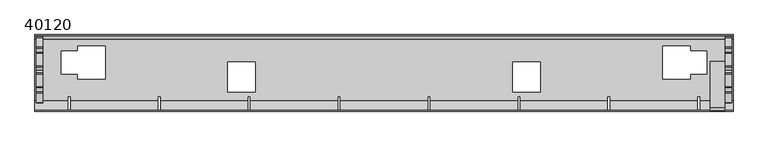
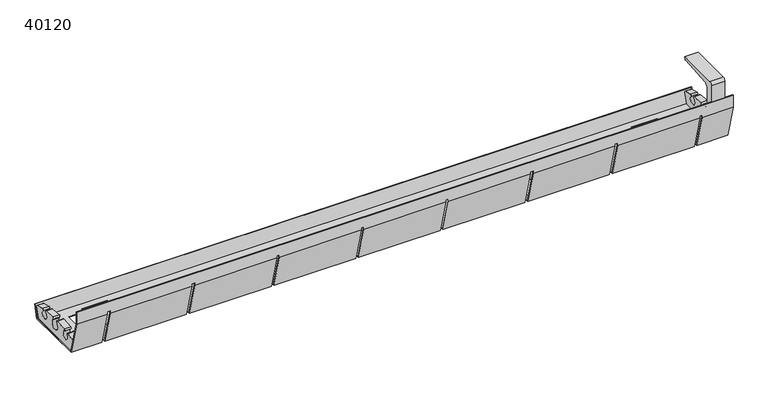
"""IFC4 building model written with IfcOpenShell, lengths in millimetres: furniture geometry, 40120."""

from ifc_helpers import new_model, si_unit, point, frame, frame_2d, origin, place, context, project, spatial, polyline, circle_curve, trimmed, segment, composite_curve, outline, extrude, faceted_brep, source, transform, mapped, element, save


def furniture_40120_08aa31df(model_context):
    return source(origin(), model_context, "Body", "SolidModel", [
        extrude(outline(composite_curve([segment(polyline([(6.0, 127.6), (87.0, 127.6), (85.8219858, 123.3928064)]), True, "CONTINUOUS"), segment(trimmed(circle_curve(frame_2d((83.8960577, 123.9320662)), 2.0), [point((85.8219858, 123.3928064))], [point((84.0703692, 121.9396768))], False, "CARTESIAN"), True, "CONTINUOUS"), segment(polyline([(84.0703692, 121.9396768), (21.3027541, 116.4482221)]), True, "CONTINUOUS"), segment(trimmed(circle_curve(frame_2d((22.0, 108.4786645)), 8.0), [point((21.3027541, 116.4482221))], [point((14.0, 108.4786645))], True, "CARTESIAN"), True, "CONTINUOUS"), segment(polyline([(14.0, 108.4786645), (14.0, 84.4680422)]), True, "CONTINUOUS"), segment(trimmed(circle_curve(frame_2d((22.0, 84.4680422)), 8.0), [point((14.0, 84.4680422))], [point((14.2725934, 82.3974898))], True, "CARTESIAN"), True, "CONTINUOUS"), segment(polyline([(14.2725934, 82.3974898), (31.3787067, 18.5566058)]), True, "CONTINUOUS"), segment(trimmed(circle_curve(frame_2d((39.1061133, 20.6271582)), 8.0), [point((31.3787067, 18.5566058))], [point((37.9204592, 12.715507))], True, "CARTESIAN"), True, "CONTINUOUS"), segment(polyline([(37.9204592, 12.715507), (84.1345897, 5.7897752)]), True, "CONTINUOUS"), segment(trimmed(circle_curve(frame_2d((83.8381762, 3.8118624)), 2.0), [point((84.1345897, 5.7897752))], [point((85.7700278, 4.3295005))], False, "CARTESIAN"), True, "CONTINUOUS"), segment(polyline([(85.7700278, 4.3295005), (86.6085749, 1.2), (22.5765824, 1.2), (1.2725934, 80.7075696)]), True, "CONTINUOUS"), segment(trimmed(circle_curve(frame_2d((9.0, 82.7781219)), 8.0), [point((1.2725934, 80.7075696))], [point((1.0, 82.7781219))], False, "CARTESIAN"), True, "CONTINUOUS"), segment(polyline([(1.0, 82.7781219), (1.0, 122.6)]), True, "CONTINUOUS"), segment(trimmed(circle_curve(frame_2d((6.0, 122.6)), 5.0), [point((1.0, 122.6))], [point((6.0, 127.6))], False, "CARTESIAN"), True, "CONTINUOUS")], self_intersect=False)), frame((1185.0, 0.0, 0.0), z_axis=(1.0, 0.0, 0.0), x_axis=(0.0, 1.0, 0.0)), (0.0, 0.0, 1.0), 25.0),
        extrude(outline(composite_curve([segment(polyline([(19.7421934, 1.2), (14.2708238, 21.6194295)]), True, "CONTINUOUS"), segment(trimmed(circle_curve(frame_2d((16.2026754, 22.1370675)), 2.0), [point((14.2708238, 21.6194295))], [point((15.7218792, 24.0784163))], False, "CARTESIAN"), True, "CONTINUOUS"), segment(trimmed(circle_curve(frame_2d((72.7329114, -171.9023975)), 204.1047211), [point((15.7218792, 24.0784163))], [point((31.7264611, 28.0406149))], False, "CARTESIAN"), True, "CONTINUOUS"), segment(trimmed(circle_curve(frame_2d((32.1106564, 26.0778633)), 2.0), [point((31.7264611, 28.0406149))], [point((33.7699459, 24.9612799))], False, "CARTESIAN"), True, "CONTINUOUS"), segment(trimmed(circle_curve(frame_2d((39.2741288, 19.8667759)), 7.5), [point((33.7699459, 24.9612799))], [point((42.6489677, 26.5645712))], True, "CARTESIAN"), True, "CONTINUOUS"), segment(trimmed(circle_curve(frame_2d((43.8838713, 28.1377887)), 2.0), [point((42.6489677, 26.5645712))], [point((43.4584069, 30.0920097))], False, "CARTESIAN"), True, "CONTINUOUS"), segment(trimmed(circle_curve(frame_2d((72.7329114, -171.9023975)), 204.1047211), [point((43.4584069, 30.0920097))], [point((65.5069893, 32.0743738))], False, "CARTESIAN"), True, "CONTINUOUS"), segment(trimmed(circle_curve(frame_2d((65.5283849, 30.0744882)), 2.0), [point((65.5069893, 32.0743738))], [point((66.9521196, 28.6698603))], False, "CARTESIAN"), True, "CONTINUOUS"), segment(trimmed(circle_curve(frame_2d((74.2422272, 21.4775868)), 10.2408236), [point((66.9521196, 28.6698603))], [point((64.9357171, 25.7511494))], True, "CARTESIAN"), True, "CONTINUOUS"), segment(trimmed(circle_curve(frame_2d((72.7518575, 20.3513393)), 9.5), [point((64.9357171, 25.7511494))], [point((72.7518575, 10.8513393))], True, "CARTESIAN"), True, "CONTINUOUS"), segment(trimmed(circle_curve(frame_2d((72.7518575, 20.3513393)), 9.5), [point((72.7518575, 10.8513393))], [point((80.5679978, 25.7511494))], True, "CARTESIAN"), True, "CONTINUOUS"), segment(trimmed(circle_curve(frame_2d((71.2614878, 21.4775868)), 10.2408236), [point((80.5679978, 25.7511494))], [point((78.5515954, 28.6698603))], True, "CARTESIAN"), True, "CONTINUOUS"), segment(trimmed(circle_curve(frame_2d((79.97533, 30.0744882)), 2.0), [point((78.5515954, 28.6698603))], [point((79.9967256, 32.0743738))], False, "CARTESIAN"), True, "CONTINUOUS"), segment(trimmed(circle_curve(frame_2d((72.7708035, -171.9023975)), 204.1047211), [point((79.9967256, 32.0743738))], [point((102.045308, 30.0920097))], False, "CARTESIAN"), True, "CONTINUOUS"), segment(trimmed(circle_curve(frame_2d((101.6198437, 28.1377887)), 2.0), [point((102.045308, 30.0920097))], [point((102.8547472, 26.5645712))], False, "CARTESIAN"), True, "CONTINUOUS"), segment(trimmed(circle_curve(frame_2d((106.2295862, 19.8667759)), 7.5), [point((102.8547472, 26.5645712))], [point((111.7337691, 24.9612799))], True, "CARTESIAN"), True, "CONTINUOUS"), segment(trimmed(circle_curve(frame_2d((113.3930585, 26.0778633)), 2.0), [point((111.7337691, 24.9612799))], [point((113.7772538, 28.0406149))], False, "CARTESIAN"), True, "CONTINUOUS"), segment(trimmed(circle_curve(frame_2d((72.7708035, -171.9023975)), 204.1047211), [point((113.7772538, 28.0406149))], [point((129.7818357, 24.0784163))], False, "CARTESIAN"), True, "CONTINUOUS"), segment(trimmed(circle_curve(frame_2d((129.3010395, 22.1370675)), 2.0), [point((129.7818357, 24.0784163))], [point((131.2328912, 21.6194295))], False, "CARTESIAN"), True, "CONTINUOUS"), segment(polyline([(131.2328912, 21.6194295), (125.7615216, 1.2), (72.7518575, 1.2), (19.7421934, 1.2)]), True, "CONTINUOUS")], self_intersect=False)), frame((1211.0, 0.0, 0.0), z_axis=(1.0, 0.0, 0.0), x_axis=(0.0, 1.0, 0.0)), (0.0, 0.0, 1.0), 12.0),
        extrude(outline(composite_curve([segment(polyline([(19.7421934, 1.2), (14.2708238, 21.6194295)]), True, "CONTINUOUS"), segment(trimmed(circle_curve(frame_2d((16.2026754, 22.1370675)), 2.0), [point((14.2708238, 21.6194295))], [point((15.7218792, 24.0784163))], False, "CARTESIAN"), True, "CONTINUOUS"), segment(trimmed(circle_curve(frame_2d((72.7329114, -171.9023975)), 204.1047211), [point((15.7218792, 24.0784163))], [point((31.7264611, 28.0406149))], False, "CARTESIAN"), True, "CONTINUOUS"), segment(trimmed(circle_curve(frame_2d((32.1106564, 26.0778633)), 2.0), [point((31.7264611, 28.0406149))], [point((33.7699459, 24.9612799))], False, "CARTESIAN"), True, "CONTINUOUS"), segment(trimmed(circle_curve(frame_2d((39.2741288, 19.8667759)), 7.5), [point((33.7699459, 24.9612799))], [point((42.6489677, 26.5645712))], True, "CARTESIAN"), True, "CONTINUOUS"), segment(trimmed(circle_curve(frame_2d((43.8838713, 28.1377887)), 2.0), [point((42.6489677, 26.5645712))], [point((43.4584069, 30.0920097))], False, "CARTESIAN"), True, "CONTINUOUS"), segment(trimmed(circle_curve(frame_2d((72.7329114, -171.9023975)), 204.1047211), [point((43.4584069, 30.0920097))], [point((65.5069893, 32.0743738))], False, "CARTESIAN"), True, "CONTINUOUS"), segment(trimmed(circle_curve(frame_2d((65.5283849, 30.0744882)), 2.0), [point((65.5069893, 32.0743738))], [point((66.9521196, 28.6698603))], False, "CARTESIAN"), True, "CONTINUOUS"), segment(trimmed(circle_curve(frame_2d((74.2422272, 21.4775868)), 10.2408236), [point((66.9521196, 28.6698603))], [point((64.9357171, 25.7511494))], True, "CARTESIAN"), True, "CONTINUOUS"), segment(trimmed(circle_curve(frame_2d((72.7518575, 20.3513393)), 9.5), [point((64.9357171, 25.7511494))], [point((72.7518575, 10.8513393))], True, "CARTESIAN"), True, "CONTINUOUS"), segment(trimmed(circle_curve(frame_2d((72.7518575, 20.3513393)), 9.5), [point((72.7518575, 10.8513393))], [point((80.5679978, 25.7511494))], True, "CARTESIAN"), True, "CONTINUOUS"), segment(trimmed(circle_curve(frame_2d((71.2614878, 21.4775868)), 10.2408236), [point((80.5679978, 25.7511494))], [point((78.5515954, 28.6698603))], True, "CARTESIAN"), True, "CONTINUOUS"), segment(trimmed(circle_curve(frame_2d((79.97533, 30.0744882)), 2.0), [point((78.5515954, 28.6698603))], [point((79.9967256, 32.0743738))], False, "CARTESIAN"), True, "CONTINUOUS"), segment(trimmed(circle_curve(frame_2d((72.7708035, -171.9023975)), 204.1047211), [point((79.9967256, 32.0743738))], [point((102.045308, 30.0920097))], False, "CARTESIAN"), True, "CONTINUOUS"), segment(trimmed(circle_curve(frame_2d((101.6198437, 28.1377887)), 2.0), [point((102.045308, 30.0920097))], [point((102.8547472, 26.5645712))], False, "CARTESIAN"), True, "CONTINUOUS"), segment(trimmed(circle_curve(frame_2d((106.2295862, 19.8667759)), 7.5), [point((102.8547472, 26.5645712))], [point((111.7337691, 24.9612799))], True, "CARTESIAN"), True, "CONTINUOUS"), segment(trimmed(circle_curve(frame_2d((113.3930585, 26.0778633)), 2.0), [point((111.7337691, 24.9612799))], [point((113.7772538, 28.0406149))], False, "CARTESIAN"), True, "CONTINUOUS"), segment(trimmed(circle_curve(frame_2d((72.7708035, -171.9023975)), 204.1047211), [point((113.7772538, 28.0406149))], [point((129.7818357, 24.0784163))], False, "CARTESIAN"), True, "CONTINUOUS"), segment(trimmed(circle_curve(frame_2d((129.3010395, 22.1370675)), 2.0), [point((129.7818357, 24.0784163))], [point((131.2328912, 21.6194295))], False, "CARTESIAN"), True, "CONTINUOUS"), segment(polyline([(131.2328912, 21.6194295), (125.7615216, 1.2), (72.7518575, 1.2), (19.7421934, 1.2)]), True, "CONTINUOUS")], self_intersect=False)), frame((2.0, 0.0, 0.0), z_axis=(1.0, 0.0, 0.0), x_axis=(0.0, 1.0, 0.0)), (0.0, 0.0, 1.0), 12.0),
        faceted_brep([(1225.0, 0.0, 66.3491624), (1225.0, 17.7782045, 0.0), (1225.0, 127.732561, 0.0), (1225.0, 134.4618575, 25.1140765), (1225.0, 133.3027465, 25.4246594), (1225.0, 126.8117686, 1.2), (1225.0, 18.6989969, 1.2), (1225.0, 1.2, 66.5071454), (1225.0, 1.2, 90.0), (1225.0, 0.0, 90.0), (0.0, 0.0, 66.3491624), (0.0, 0.0, 90.0), (0.0, 1.2, 90.0), (0.0, 1.2, 66.5071454), (0.0, 18.6989969, 1.2), (0.0, 126.8117686, 1.2), (0.0, 133.3027465, 25.4246594), (0.0, 134.4618575, 25.1140765), (0.0, 127.732561, 0.0), (0.0, 17.7782045, 0.0), (1167.5, 0.0, 66.3491624), (1167.5, 17.7782045, 0.0), (57.5, 17.7782045, 0.0), (57.5, 0.0, 66.3491624), (62.5, 0.0, 66.3491624), (62.5, 17.7782045, 0.0), (215.3571429, 17.7782045, 0.0), (215.3571429, 0.0, 66.3491624), (1162.5, 17.7782045, 0.0), (1162.5, 0.0, 66.3491624), (1009.6428571, 0.0, 66.3491624), (1009.6428571, 17.7782045, 0.0), (220.3571429, 0.0, 66.3491624), (220.3571429, 17.7782045, 0.0), (373.2142857, 17.7782045, 0.0), (373.2142857, 0.0, 66.3491624), (378.2142857, 0.0, 66.3491624), (378.2142857, 17.7782045, 0.0), (531.0714286, 17.7782045, 0.0), (531.0714286, 0.0, 66.3491624), (536.0714286, 0.0, 66.3491624), (536.0714286, 17.7782045, 0.0), (688.9285714, 17.7782045, 0.0), (688.9285714, 0.0, 66.3491624), (693.9285714, 0.0, 66.3491624), (693.9285714, 17.7782045, 0.0), (846.7857143, 17.7782045, 0.0), (846.7857143, 0.0, 66.3491624), (851.7857143, 0.0, 66.3491624), (851.7857143, 17.7782045, 0.0), (1004.6428571, 17.7782045, 0.0), (1004.6428571, 0.0, 66.3491624), (1167.5, 26.0, 0.0), (1162.5, 26.0, 0.0), (1009.6428571, 26.0, 0.0), (1004.6428571, 26.0, 0.0), (851.7857143, 26.0, 0.0), (846.7857143, 26.0, 0.0), (693.9285714, 26.0, 0.0), (688.9285714, 26.0, 0.0), (536.0714286, 26.0, 0.0), (531.0714286, 26.0, 0.0), (378.2142857, 26.0, 0.0), (373.2142857, 26.0, 0.0), (220.3571429, 26.0, 0.0), (215.3571429, 26.0, 0.0), (62.5, 26.0, 0.0), (57.5, 26.0, 0.0), (75.5, 105.4618575, 0.0), (46.0, 105.4618575, 0.0), (46.0, 65.4618575, 0.0), (75.5, 65.4618575, 0.0), (75.5, 56.4618575, 0.0), (123.5, 56.4618575, 0.0), (123.5, 114.4618575, 0.0), (75.5, 114.4618575, 0.0), (1101.5, 114.4618575, 0.0), (1101.5, 56.4618575, 0.0), (1149.5, 56.4618575, 0.0), (1149.5, 65.4618575, 0.0), (1179.0, 65.4618575, 0.0), (1179.0, 105.4618575, 0.0), (1149.5, 105.4618575, 0.0), (1149.5, 114.4618575, 0.0), (386.5, 86.4618575, 0.0), (338.5, 86.4618575, 0.0), (338.5, 33.4618575, 0.0), (386.5, 33.4618575, 0.0), (886.5, 86.4618575, 0.0), (838.5, 86.4618575, 0.0), (838.5, 33.4618575, 0.0), (886.5, 33.4618575, 0.0), (57.5, 18.6989969, 1.2), (57.5, 26.0, 1.2), (62.5, 26.0, 1.2), (62.5, 18.6989969, 1.2), (215.3571429, 18.6989969, 1.2), (215.3571429, 26.0, 1.2), (220.3571429, 26.0, 1.2), (220.3571429, 18.6989969, 1.2), (373.2142857, 18.6989969, 1.2), (373.2142857, 26.0, 1.2), (378.2142857, 26.0, 1.2), (378.2142857, 18.6989969, 1.2), (531.0714286, 18.6989969, 1.2), (531.0714286, 26.0, 1.2), (536.0714286, 26.0, 1.2), (536.0714286, 18.6989969, 1.2), (688.9285714, 18.6989969, 1.2), (688.9285714, 26.0, 1.2), (693.9285714, 26.0, 1.2), (693.9285714, 18.6989969, 1.2), (846.7857143, 18.6989969, 1.2), (846.7857143, 26.0, 1.2), (851.7857143, 26.0, 1.2), (851.7857143, 18.6989969, 1.2), (1004.6428571, 18.6989969, 1.2), (1004.6428571, 26.0, 1.2), (1009.6428571, 26.0, 1.2), (1009.6428571, 18.6989969, 1.2), (1162.5, 18.6989969, 1.2), (1162.5, 26.0, 1.2), (1167.5, 26.0, 1.2), (1167.5, 18.6989969, 1.2), (46.0, 105.4618575, 1.2), (75.5, 105.4618575, 1.2), (75.5, 114.4618575, 1.2), (123.5, 114.4618575, 1.2), (123.5, 56.4618575, 1.2), (75.5, 56.4618575, 1.2), (75.5, 65.4618575, 1.2), (46.0, 65.4618575, 1.2), (1101.5, 56.4618575, 1.2), (1101.5, 114.4618575, 1.2), (1149.5, 114.4618575, 1.2), (1149.5, 105.4618575, 1.2), (1179.0, 105.4618575, 1.2), (1179.0, 65.4618575, 1.2), (1149.5, 65.4618575, 1.2), (1149.5, 56.4618575, 1.2), (338.5, 86.4618575, 1.2), (386.5, 86.4618575, 1.2), (386.5, 33.4618575, 1.2), (338.5, 33.4618575, 1.2), (838.5, 86.4618575, 1.2), (886.5, 86.4618575, 1.2), (886.5, 33.4618575, 1.2), (838.5, 33.4618575, 1.2), (1167.5, 1.2, 66.5071454), (57.5, 1.2, 66.5071454), (62.5, 1.2, 66.5071454), (215.3571429, 1.2, 66.5071454), (1162.5, 1.2, 66.5071454), (1009.6428571, 1.2, 66.5071454), (220.3571429, 1.2, 66.5071454), (373.2142857, 1.2, 66.5071454), (378.2142857, 1.2, 66.5071454), (531.0714286, 1.2, 66.5071454), (536.0714286, 1.2, 66.5071454), (688.9285714, 1.2, 66.5071454), (693.9285714, 1.2, 66.5071454), (846.7857143, 1.2, 66.5071454), (851.7857143, 1.2, 66.5071454), (1004.6428571, 1.2, 66.5071454), (1167.5, 1.2, 71.0), (1162.5, 1.2, 71.0), (1009.6428571, 1.2, 71.0), (1004.6428571, 1.2, 71.0), (851.7857143, 1.2, 71.0), (846.7857143, 1.2, 71.0), (693.9285714, 1.2, 71.0), (688.9285714, 1.2, 71.0), (536.0714286, 1.2, 71.0), (531.0714286, 1.2, 71.0), (378.2142857, 1.2, 71.0), (373.2142857, 1.2, 71.0), (220.3571429, 1.2, 71.0), (215.3571429, 1.2, 71.0), (62.5, 1.2, 71.0), (57.5, 1.2, 71.0), (57.5, 0.0, 71.0), (62.5, 0.0, 71.0), (215.3571429, 0.0, 71.0), (220.3571429, 0.0, 71.0), (373.2142857, 0.0, 71.0), (378.2142857, 0.0, 71.0), (531.0714286, 0.0, 71.0), (536.0714286, 0.0, 71.0), (688.9285714, 0.0, 71.0), (693.9285714, 0.0, 71.0), (846.7857143, 0.0, 71.0), (851.7857143, 0.0, 71.0), (1004.6428571, 0.0, 71.0), (1009.6428571, 0.0, 71.0), (1162.5, 0.0, 71.0), (1167.5, 0.0, 71.0)], [[[0, 1, 2, 3, 4, 5, 6, 7, 8, 9]], [[10, 11, 12, 13, 14, 15, 16, 17, 18, 19]], [[1, 0, 20, 21]], [[10, 19, 22, 23]], [[24, 25, 26, 27]], [[28, 29, 30, 31]], [[32, 33, 34, 35]], [[36, 37, 38, 39]], [[40, 41, 42, 43]], [[44, 45, 46, 47]], [[48, 49, 50, 51]], [[2, 1, 21, 52, 53, 28, 31, 54, 55, 50, 49, 56, 57, 46, 45, 58, 59, 42, 41, 60, 61, 38, 37, 62, 63, 34, 33, 64, 65, 26, 25, 66, 67, 22, 19, 18], [68, 69, 70, 71, 72, 73, 74, 75], [76, 77, 78, 79, 80, 81, 82, 83], [84, 85, 86, 87], [88, 89, 90, 91]], [[3, 2, 18, 17]], [[4, 3, 17, 16]], [[5, 4, 16, 15]], [[6, 5, 15, 14, 92, 93, 94, 95, 96, 97, 98, 99, 100, 101, 102, 103, 104, 105, 106, 107, 108, 109, 110, 111, 112, 113, 114, 115, 116, 117, 118, 119, 120, 121, 122, 123], [124, 125, 126, 127, 128, 129, 130, 131], [132, 133, 134, 135, 136, 137, 138, 139], [140, 141, 142, 143], [144, 145, 146, 147]], [[7, 6, 123, 148]], [[14, 13, 149, 92]], [[95, 150, 151, 96]], [[152, 120, 119, 153]], [[99, 154, 155, 100]], [[103, 156, 157, 104]], [[107, 158, 159, 108]], [[111, 160, 161, 112]], [[115, 162, 163, 116]], [[8, 7, 148, 164, 165, 152, 153, 166, 167, 163, 162, 168, 169, 161, 160, 170, 171, 159, 158, 172, 173, 157, 156, 174, 175, 155, 154, 176, 177, 151, 150, 178, 179, 149, 13, 12]], [[9, 8, 12, 11]], [[0, 9, 11, 10, 23, 180, 181, 24, 27, 182, 183, 32, 35, 184, 185, 36, 39, 186, 187, 40, 43, 188, 189, 44, 47, 190, 191, 48, 51, 192, 193, 30, 29, 194, 195, 20]], [[68, 125, 124, 69]], [[69, 124, 131, 70]], [[70, 131, 130, 71]], [[71, 130, 129, 72]], [[72, 129, 128, 73]], [[73, 128, 127, 74]], [[74, 127, 126, 75]], [[125, 68, 75, 126]], [[76, 133, 132, 77]], [[77, 132, 139, 78]], [[78, 139, 138, 79]], [[79, 138, 137, 80]], [[80, 137, 136, 81]], [[81, 136, 135, 82]], [[82, 135, 134, 83]], [[133, 76, 83, 134]], [[84, 141, 140, 85]], [[85, 140, 143, 86]], [[86, 143, 142, 87]], [[141, 84, 87, 142]], [[88, 145, 144, 89]], [[89, 144, 147, 90]], [[90, 147, 146, 91]], [[145, 88, 91, 146]], [[178, 181, 180, 179]], [[66, 94, 93, 67]], [[179, 180, 23, 22, 67, 93, 92, 149]], [[181, 178, 150, 95, 94, 66, 25, 24]], [[164, 195, 194, 165]], [[52, 122, 121, 53]], [[165, 194, 29, 28, 53, 121, 120, 152]], [[195, 164, 148, 123, 122, 52, 21, 20]], [[176, 183, 182, 177]], [[64, 98, 97, 65]], [[177, 182, 27, 26, 65, 97, 96, 151]], [[183, 176, 154, 99, 98, 64, 33, 32]], [[174, 185, 184, 175]], [[62, 102, 101, 63]], [[175, 184, 35, 34, 63, 101, 100, 155]], [[185, 174, 156, 103, 102, 62, 37, 36]], [[172, 187, 186, 173]], [[60, 106, 105, 61]], [[173, 186, 39, 38, 61, 105, 104, 157]], [[187, 172, 158, 107, 106, 60, 41, 40]], [[170, 189, 188, 171]], [[58, 110, 109, 59]], [[171, 188, 43, 42, 59, 109, 108, 159]], [[189, 170, 160, 111, 110, 58, 45, 44]], [[168, 191, 190, 169]], [[56, 114, 113, 57]], [[169, 190, 47, 46, 57, 113, 112, 161]], [[191, 168, 162, 115, 114, 56, 49, 48]], [[166, 193, 192, 167]], [[54, 118, 117, 55]], [[167, 192, 51, 50, 55, 117, 116, 163]], [[193, 166, 153, 119, 118, 54, 31, 30]]]),
    ])


if __name__ == "__main__":
    model = new_model("IFC4")
    model_context = context("Model", 3, world=origin())
    ifc_project = project(units=[si_unit("LENGTHUNIT", "METRE", prefix="MILLI")], contexts=[model_context])
    site = spatial("IfcSite", under=ifc_project)
    building = spatial("IfcBuilding", under=site)
    placement = place(None, origin())
    furniture_40120_shape = furniture_40120_08aa31df(model_context)
    element("IfcFurniture", 1, ObjectType="40120", at=placement, inside=building, context=model_context, shape_type="MappedRepresentation", body=[
        mapped(furniture_40120_shape, transform((0.0, 0.0, 0.0), x_axis=(1.0, 0.0, 0.0), y_axis=(0.0, 1.0, 0.0), z_axis=(0.0, 0.0, 1.0))),
    ])
    save(model, "model.ifc")
